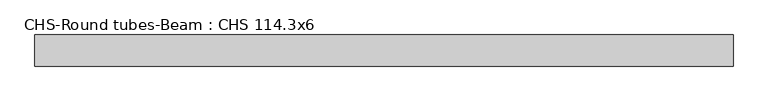
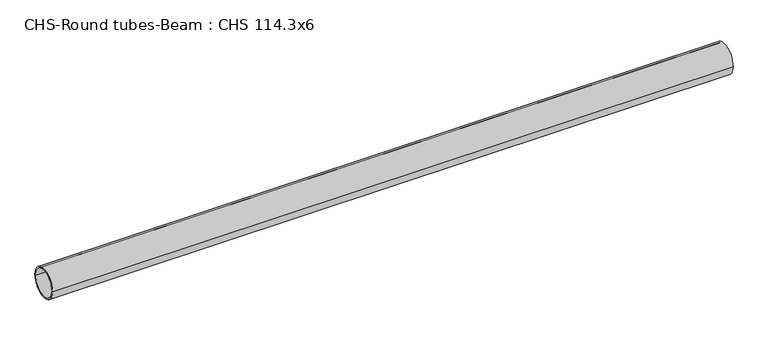
"""IFC4 building model written with IfcOpenShell, lengths in millimetres: beam geometry, CHS-Round tubes-Beam : CHS 114.3x6."""

from ifc_helpers import new_model, si_unit, point, frame, origin, origin_2d, place, context, project, spatial, circle_curve, trimmed, segment, composite_curve, outline, extrude, source, transform, mapped, element, save


def chs_round_tubes_beam_chs_114_3x6_8053539e(model_context):
    return source(origin(), model_context, "Body", "SweptSolid", [
        extrude(outline(composite_curve([segment(trimmed(circle_curve(origin_2d(), 57.15), [point((57.15, 0.0))], [point((-57.15, 0.0))], False, "CARTESIAN"), True, "CONTINUOUS"), segment(trimmed(circle_curve(origin_2d(), 57.15), [point((-57.15, 0.0))], [point((57.15, 0.0))], False, "CARTESIAN"), True, "CONTINUOUS")], self_intersect=False), holes=[composite_curve([segment(trimmed(circle_curve(origin_2d(), 51.15), [point((51.15, 0.0))], [point((-51.15, 0.0))], True, "CARTESIAN"), True, "CONTINUOUS"), segment(trimmed(circle_curve(origin_2d(), 51.15), [point((-51.15, 0.0))], [point((51.15, 0.0))], True, "CARTESIAN"), True, "CONTINUOUS")], self_intersect=False)]), frame((-1224.7302127, 0.0, 0.0), z_axis=(1.0, 0.0, 0.0), x_axis=(0.0, 1.0, 0.0)), (0.0, 0.0, 1.0), 2561.9546667),
    ])


if __name__ == "__main__":
    model = new_model("IFC4")
    model_context = context("Model", 3, world=origin())
    ifc_project = project(units=[si_unit("LENGTHUNIT", "METRE", prefix="MILLI")], contexts=[model_context])
    site = spatial("IfcSite", under=ifc_project)
    building = spatial("IfcBuilding", under=site)
    placement = place(None, origin())
    chs_round_tubes_beam_chs_114_3x6_shape = chs_round_tubes_beam_chs_114_3x6_8053539e(model_context)
    element("IfcBeam", 1, ObjectType="CHS-Round tubes-Beam : CHS 114.3x6", at=placement, inside=building, context=model_context, shape_type="MappedRepresentation", body=[
        mapped(chs_round_tubes_beam_chs_114_3x6_shape, transform((0.0, 0.0, 0.0), x_axis=(1.0, 0.0, 0.0), y_axis=(0.0, 1.0, 0.0), z_axis=(0.0, 0.0, 1.0))),
    ])
    save(model, "model.ifc")
